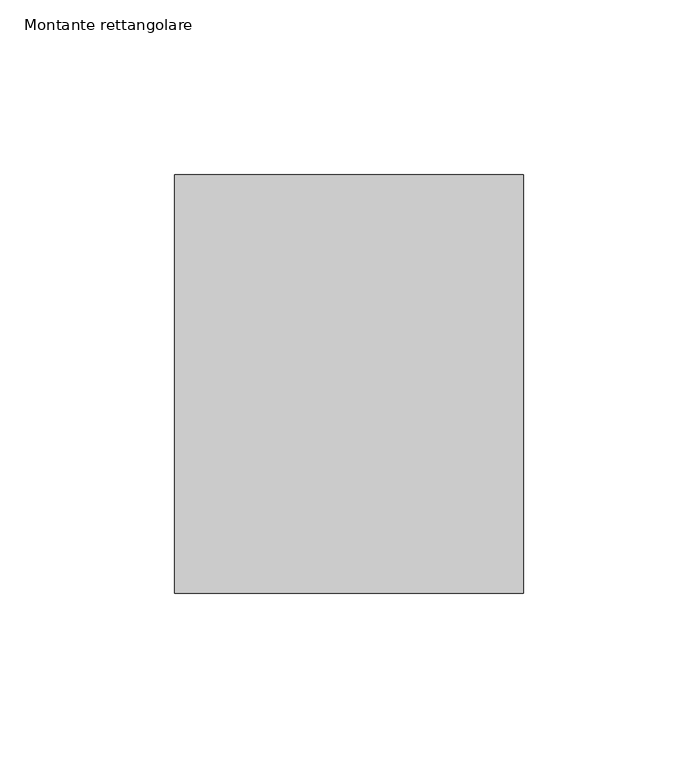
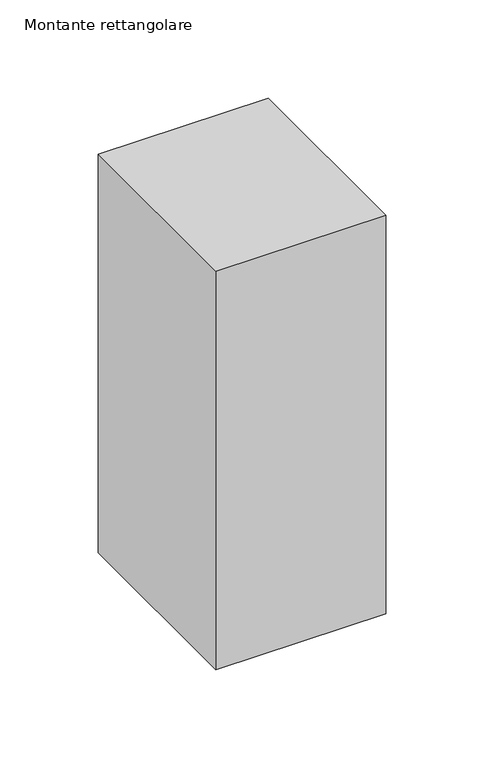
"""IFC4 building model written with IfcOpenShell, lengths in millimetres: member geometry, Montante rettangolare."""

from ifc_helpers import new_model, si_unit, frame, origin, place, context, project, spatial, polyline, outline, extrude, source, transform, mapped, element, save


def montante_rettangolare_2c198203(model_context):
    return source(origin(), model_context, "Body", "SweptSolid", [
        extrude(outline(polyline([(50.0, 60.0), (50.0, -60.0), (-50.0, -60.0), (-50.0, 60.0), (50.0, 60.0)])), frame((0.0, 0.0, -247.9718924), z_axis=(0.0, 0.0, 1.0), x_axis=(1.0, 0.0, 0.0)), (0.0, 0.0, 1.0), 247.9718924),
    ])


if __name__ == "__main__":
    model = new_model("IFC4")
    model_context = context("Model", 3, world=origin())
    ifc_project = project(units=[si_unit("LENGTHUNIT", "METRE", prefix="MILLI")], contexts=[model_context])
    site = spatial("IfcSite", under=ifc_project)
    building = spatial("IfcBuilding", under=site)
    placement = place(None, origin())
    montante_rettangolare_shape = montante_rettangolare_2c198203(model_context)
    element("IfcMember", 1, ObjectType="Montante rettangolare", at=placement, inside=building, context=model_context, shape_type="MappedRepresentation", body=[
        mapped(montante_rettangolare_shape, transform((0.0, 0.0, 0.0), x_axis=(1.0, 0.0, 0.0), y_axis=(0.0, 1.0, 0.0), z_axis=(0.0, 0.0, 1.0))),
    ])
    save(model, "model.ifc")
